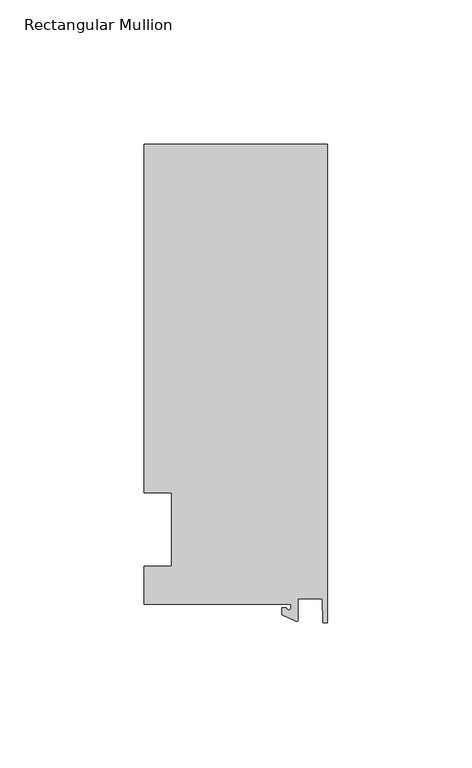
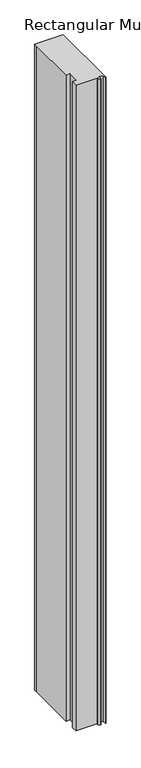
"""IFC4 building model written with IfcOpenShell, lengths in millimetres: member geometry, Rectangular Mullion."""

from ifc_helpers import new_model, si_unit, point, frame, frame_2d, origin, place, context, project, spatial, polyline, circle_curve, trimmed, segment, composite_curve, outline, extrude, source, transform, mapped, element, save


def rectangular_mullion_8d0fb4a6(model_context):
    return source(origin(), model_context, "Body", "SweptSolid", [
        extrude(outline(composite_curve([segment(polyline([(-12.6173814, -25.796875), (-63.5, -25.796875), (-63.5, -12.7), (-53.975, -12.7), (-53.975, 12.7), (-63.5, 12.7), (-63.5, 125.8114907), (-63.5, 133.34365), (0.0, 133.34365), (0.0, -32.288874), (-1.5658966, -32.288874), (-1.7144124, -23.9227662), (-10.2297814, -23.9227662), (-10.2297814, -31.2414327)]), True, "CONTINUOUS"), segment(trimmed(circle_curve(frame_2d((-10.7377814, -31.2414327)), 0.508), [point((-10.2297814, -31.2414327))], [point((-10.9524715, -31.7018371))], False, "CARTESIAN"), True, "CONTINUOUS"), segment(polyline([(-10.9524715, -31.7018371), (-15.7923814, -29.44495), (-15.7923814, -27.0827507), (-14.2048814, -27.0827507)]), True, "CONTINUOUS"), segment(trimmed(circle_curve(frame_2d((-13.4111314, -27.0827507)), 0.79375), [point((-14.2048814, -27.0827507))], [point((-12.6173814, -27.0827507))], True, "CARTESIAN"), True, "CONTINUOUS"), segment(polyline([(-12.6173814, -27.0827507), (-12.6173814, -25.796875)]), True, "CONTINUOUS")], self_intersect=False)), frame((0.0, 0.0, -1524.0), z_axis=(0.0, 0.0, 1.0), x_axis=(1.0, 0.0, 0.0)), (0.0, 0.0, 1.0), 1524.0),
    ])


if __name__ == "__main__":
    model = new_model("IFC4")
    model_context = context("Model", 3, world=origin())
    ifc_project = project(units=[si_unit("LENGTHUNIT", "METRE", prefix="MILLI")], contexts=[model_context])
    site = spatial("IfcSite", under=ifc_project)
    building = spatial("IfcBuilding", under=site)
    placement = place(None, origin())
    rectangular_mullion_shape = rectangular_mullion_8d0fb4a6(model_context)
    element("IfcMember", 1, ObjectType="Rectangular Mullion", at=placement, inside=building, context=model_context, shape_type="MappedRepresentation", body=[
        mapped(rectangular_mullion_shape, transform((0.0, 0.0, 0.0), x_axis=(1.0, 0.0, 0.0), y_axis=(0.0, 1.0, 0.0), z_axis=(0.0, 0.0, 1.0))),
    ])
    save(model, "model.ifc")
